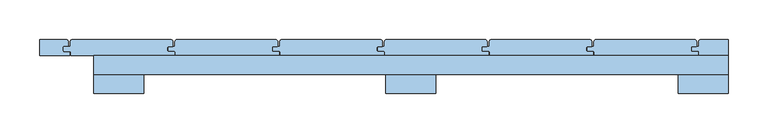
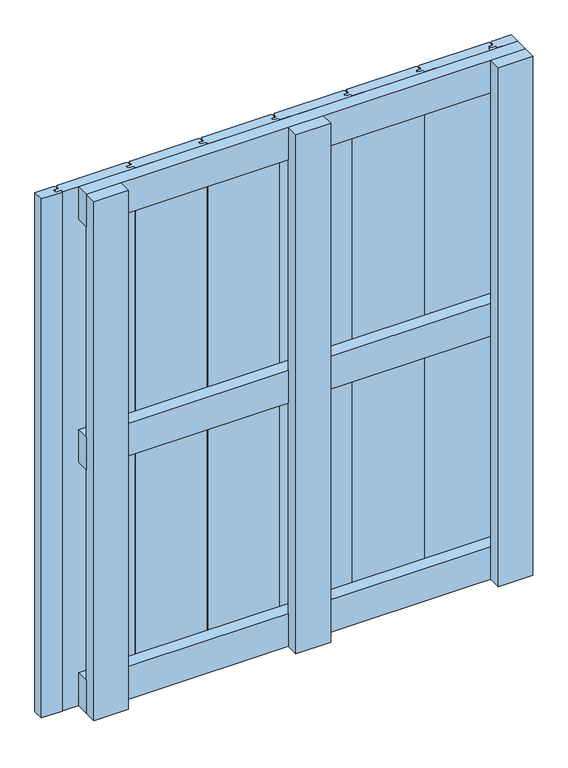
"""IFC4 building model written with IfcOpenShell, lengths in millimetres: window geometry."""

import ifcopenshell
import ifcopenshell.guid

model = None  # the IFC model being written
_history = None  # IfcOwnerHistory: only IFC2X3 demands one
_inside = {}  # id of a spatial element -> (the spatial element, [elements in it])
_under = {}  # id of a project, library or spatial element -> (it, [spatial elements below it])
_declared = {}  # id of a project -> (the project, [libraries it declares])
_typed = {}  # id of a type object -> (the type object, [elements of that type])
_made_of = {}  # id of a material, layer set ... -> (it, [elements and type objects made of it])


def new_model(schema):
    """Start an empty IFC model of exactly this schema.

    Asked for "IFC4X3", IfcOpenShell would pick the latest addendum, in which some entities
    have other attributes; the version numbers below select the first issue.
    IFC2X3 requires an IfcOwnerHistory on every rooted entity: one is made here for all.
    """
    global model, _history
    if schema == "IFC4X3":
        model = ifcopenshell.file(schema_version=(4, 3, 0, 0))
    else:
        model = ifcopenshell.file(schema=schema)
    _inside.clear()
    _under.clear()
    _declared.clear()
    _typed.clear()
    _made_of.clear()
    _history = None
    if model.schema == "IFC2X3":
        org = make("IfcOrganization", Name="unknown")
        user = make(
            "IfcPersonAndOrganization",
            ThePerson=make("IfcPerson", FamilyName="unknown"),
            TheOrganization=org,
        )
        app = make(
            "IfcApplication",
            ApplicationDeveloper=org,
            Version="unknown",
            ApplicationFullName="unknown",
            ApplicationIdentifier="unknown",
        )
        _history = make(
            "IfcOwnerHistory",
            OwningUser=user,
            OwningApplication=app,
            ChangeAction="ADDED",
            CreationDate=0,
        )
    return model


def make(cls, **values):
    """One entity of the class cls with the attributes given. An attribute that is None is left unset."""
    return model.create_entity(
        cls, **{name: value for name, value in values.items() if value is not None}
    )


def rooted(cls, **values):
    """An entity with a GlobalId (a new one), such as an element, a storey or a relation."""
    return make(cls, GlobalId=ifcopenshell.guid.new(), OwnerHistory=_history, **values)


def si_unit(unit_type, name, prefix=None):
    """IfcSIUnit, for example si_unit("LENGTHUNIT", "METRE", prefix="MILLI")."""
    return make("IfcSIUnit", UnitType=unit_type, Prefix=prefix, Name=name)


def assignment(units):
    """IfcUnitAssignment: the units of a project."""
    return None if units is None else make("IfcUnitAssignment", Units=units)


def point(xyz):
    """IfcCartesianPoint."""
    return None if xyz is None else make("IfcCartesianPoint", Coordinates=xyz)


def direction(xyz):
    """IfcDirection."""
    return None if xyz is None else make("IfcDirection", DirectionRatios=xyz)


def frame(location, z_axis=None, x_axis=None):
    """IfcAxis2Placement3D, a coordinate frame: its origin and axes. An axis left out is left unset."""
    return make(
        "IfcAxis2Placement3D",
        Location=point(location),
        Axis=direction(z_axis),
        RefDirection=direction(x_axis),
    )


def frame_2d(location, x_axis=None):
    """IfcAxis2Placement2D, a coordinate frame in the plane: its origin and x axis."""
    return make(
        "IfcAxis2Placement2D", Location=point(location), RefDirection=direction(x_axis)
    )


def origin():
    """The frame at (0, 0, 0) with its axes left unset."""
    return frame((0.0, 0.0, 0.0))


def place(relative_to, where):
    """IfcLocalPlacement: puts the frame where relative to a parent placement (None: the world)."""
    return make(
        "IfcLocalPlacement", PlacementRelTo=relative_to, RelativePlacement=where
    )


def context(
    kind, dimensions, precision=None, world=None, true_north=None, identifier=None
):
    """IfcGeometricRepresentationContext, for example the 3D "Model" context."""
    return make(
        "IfcGeometricRepresentationContext",
        ContextIdentifier=identifier,
        ContextType=kind,
        CoordinateSpaceDimension=dimensions,
        Precision=precision,
        WorldCoordinateSystem=world,
        TrueNorth=true_north,
    )


def project(units=None, contexts=None):
    """IfcProject with its units and contexts."""
    return rooted(
        "IfcProject",
        Name="project",
        RepresentationContexts=contexts,
        UnitsInContext=assignment(units),
    )


def spatial(cls, under=None, at=None, **own):
    """A site, building, storey or space (cls), placed at a placement, below another one or the project."""
    s = rooted(cls, ObjectPlacement=at, **own)
    if under is not None:
        _under.setdefault(under.id(), (under, []))[1].append(s)
    return s


def polyline(points):
    """IfcPolyline through the points."""
    return make("IfcPolyline", Points=[point(p) for p in points])


def circle_curve(where, radius):
    """IfcCircle in the frame where."""
    return make("IfcCircle", Position=where, Radius=radius)


def trimmed(basis, trim1, trim2, sense, master):
    """IfcTrimmedCurve: the piece of a basis curve between two trims."""
    return make(
        "IfcTrimmedCurve",
        BasisCurve=basis,
        Trim1=trim1,
        Trim2=trim2,
        SenseAgreement=sense,
        MasterRepresentation=master,
    )


def segment(curve, same_sense, transition):
    """IfcCompositeCurveSegment."""
    return make(
        "IfcCompositeCurveSegment",
        Transition=transition,
        SameSense=same_sense,
        ParentCurve=curve,
    )


def composite_curve(segments, self_intersect=None):
    """IfcCompositeCurve: segments joined end to end."""
    return make("IfcCompositeCurve", Segments=segments, SelfIntersect=self_intersect)


def outline(outer, holes=None, kind="AREA"):
    """IfcArbitraryClosedProfileDef: a profile drawn as a closed curve; with holes, ...WithVoids."""
    if holes is None:
        return make("IfcArbitraryClosedProfileDef", ProfileType=kind, OuterCurve=outer)
    return make(
        "IfcArbitraryProfileDefWithVoids",
        ProfileType=kind,
        OuterCurve=outer,
        InnerCurves=holes,
    )


def extrude(swept, where, along, depth):
    """IfcExtrudedAreaSolid: the profile swept, set in the frame where, extruded along a direction by depth."""
    return make(
        "IfcExtrudedAreaSolid",
        SweptArea=swept,
        Position=where,
        ExtrudedDirection=direction(along),
        Depth=depth,
    )


def shape(context_of_items, identifier, shape_type, items):
    """IfcShapeRepresentation: the items that make up one representation, for example the "Body"."""
    return make(
        "IfcShapeRepresentation",
        ContextOfItems=context_of_items,
        RepresentationIdentifier=identifier,
        RepresentationType=shape_type,
        Items=items,
    )


def source(mapping_origin, context_of_items, identifier, shape_type, items):
    """IfcRepresentationMap: a shape defined once, which mapped items show again and again."""
    return make(
        "IfcRepresentationMap",
        MappingOrigin=mapping_origin,
        MappedRepresentation=shape(context_of_items, identifier, shape_type, items),
    )


def transform(
    local_origin,
    x_axis=None,
    y_axis=None,
    z_axis=None,
    scale=None,
    scale2=None,
    scale3=None,
    uniform=True,
):
    """IfcCartesianTransformationOperator3D, or its non-uniform kind. x_axis, y_axis, z_axis: its Axis1, 2, 3."""
    if uniform:
        return make(
            "IfcCartesianTransformationOperator3D",
            Axis1=direction(x_axis),
            Axis2=direction(y_axis),
            LocalOrigin=point(local_origin),
            Scale=scale,
            Axis3=direction(z_axis),
        )
    return make(
        "IfcCartesianTransformationOperator3DnonUniform",
        Axis1=direction(x_axis),
        Axis2=direction(y_axis),
        LocalOrigin=point(local_origin),
        Scale=scale,
        Axis3=direction(z_axis),
        Scale2=scale2,
        Scale3=scale3,
    )


def mapped(mapping_source, mapping_target):
    """IfcMappedItem: shows the shape of a source again, moved by a transform."""
    return make(
        "IfcMappedItem", MappingSource=mapping_source, MappingTarget=mapping_target
    )


def made_of(thing, what):
    """Note that an element or type object is made of a material, layer set ...; save() writes the relation."""
    if what is not None:
        _made_of.setdefault(what.id(), (what, []))[1].append(thing)
    return thing


def element(
    cls,
    number,
    at=None,
    inside=None,
    cuts=None,
    type_object=None,
    material=None,
    context=None,
    identifier="Body",
    shape_type=None,
    held_by="IfcProductDefinitionShape",
    body=None,
    shapes=None,
    **own,
):
    """One element of the class cls, such as IfcWall. Its Tag is "e" and its number.

    at: its placement. inside: the storey or other place that contains it. cuts: it is an
    opening in that element (IfcRelVoidsElement). A single representation is given by context,
    identifier, shape_type and body (its items); several are given by shapes. held_by: the class
    of the entity that holds the representations. save() writes the other relations.
    """
    e = rooted(cls, Tag="e%d" % number, ObjectPlacement=at, **own)
    if body is not None:
        shapes = [shape(context, identifier, shape_type, body)]
    if shapes is not None:
        e.Representation = make(held_by, Representations=shapes)
    if inside is not None:
        _inside.setdefault(inside.id(), (inside, []))[1].append(e)
    if cuts is not None:
        rooted(
            "IfcRelVoidsElement", RelatingBuildingElement=cuts, RelatedOpeningElement=e
        )
    if type_object is not None:
        _typed.setdefault(type_object.id(), (type_object, []))[1].append(e)
    return made_of(e, material)


def aggregate(whole, parts):
    """IfcRelAggregates: a whole, such as a stair, and the parts it consists of."""
    return rooted("IfcRelAggregates", RelatingObject=whole, RelatedObjects=parts)


def save(model, path):
    """Write the relations noted so far, then the file.

    IfcRelAggregates (storeys below a building ...), IfcRelContainedInSpatialStructure (elements
    in a storey), IfcRelDefinesByType, IfcRelAssociatesMaterial and IfcRelDeclares: one each for
    every whole, place, type object, material and project.
    """
    for whole, parts in _under.values():
        aggregate(whole, parts)
    for where, things in _inside.values():
        rooted(
            "IfcRelContainedInSpatialStructure",
            RelatedElements=things,
            RelatingStructure=where,
        )
    for kind, things in _typed.values():
        rooted("IfcRelDefinesByType", RelatedObjects=things, RelatingType=kind)
    for what, things in _made_of.values():
        rooted("IfcRelAssociatesMaterial", RelatedObjects=things, RelatingMaterial=what)
    for by, libraries in _declared.values():
        rooted("IfcRelDeclares", RelatingContext=by, RelatedDefinitions=libraries)
    model.write(path)


def window_a948149d(model_context):
    return source(origin(), model_context, "Body", "SweptSolid", [
        extrude(outline(polyline([(400.0, 60.1), (400.0, 36.1), (-400.0, 36.1), (-400.0, 60.1), (400.0, 60.1)])), frame((0.0, 0.0, 568.5), z_axis=(0.0, 0.0, 1.0), x_axis=(1.0, 0.0, 0.0)), (0.0, 0.0, 1.0), 63.0),
        extrude(outline(polyline([(400.0, 60.0), (400.0, 36.0), (-400.0, 36.0), (-400.0, 60.0), (400.0, 60.0)])), frame((0.0, 0.0, 1037.0), z_axis=(0.0, 0.0, 1.0), x_axis=(1.0, 0.0, 0.0)), (0.0, 0.0, 1.0), 63.0),
        extrude(outline(polyline([(400.0, 60.0), (400.0, 36.0), (-400.0, 36.0), (-400.0, 60.0), (400.0, 60.0)])), frame((0.0, 0.0, 100.0), z_axis=(0.0, 0.0, 1.0), x_axis=(1.0, 0.0, 0.0)), (0.0, 0.0, 1.0), 63.0),
        extrude(outline(composite_curve([segment(polyline([(-301.0, 71.0), (-306.0, 71.0)]), True, "CONTINUOUS"), segment(trimmed(circle_curve(frame_2d((-306.0, 70.0)), 1.0), [point((-306.0, 71.0))], [point((-307.0, 70.0))], True, "CARTESIAN"), True, "CONTINUOUS"), segment(polyline([(-307.0, 70.0), (-307.0, 66.0)]), True, "CONTINUOUS"), segment(trimmed(circle_curve(frame_2d((-306.0, 66.0)), 1.0), [point((-307.0, 66.0))], [point((-306.0, 65.0))], True, "CARTESIAN"), True, "CONTINUOUS"), segment(polyline([(-306.0, 65.0), (-299.0, 65.0)]), True, "CONTINUOUS"), segment(trimmed(circle_curve(frame_2d((-299.0, 64.0)), 1.0), [point((-299.0, 65.0))], [point((-298.0, 64.0))], False, "CARTESIAN"), True, "CONTINUOUS"), segment(polyline([(-298.0, 64.0), (-298.0, 60.0), (-429.0, 60.0), (-429.0, 65.0), (-437.0, 65.0)]), True, "CONTINUOUS"), segment(trimmed(circle_curve(frame_2d((-437.0, 66.0)), 1.0), [point((-437.0, 65.0))], [point((-438.0, 66.0))], False, "CARTESIAN"), True, "CONTINUOUS"), segment(polyline([(-438.0, 66.0), (-438.0, 70.0)]), True, "CONTINUOUS"), segment(trimmed(circle_curve(frame_2d((-437.0, 70.0)), 1.0), [point((-438.0, 70.0))], [point((-437.0, 71.0))], False, "CARTESIAN"), True, "CONTINUOUS"), segment(polyline([(-437.0, 71.0), (-429.5177112, 71.0), (-429.5177112, 77.0156631)]), True, "CONTINUOUS"), segment(trimmed(circle_curve(frame_2d((-426.5333743, 77.0156631)), 2.9843369), [point((-429.5177112, 77.0156631))], [point((-426.5333743, 80.0))], False, "CARTESIAN"), True, "CONTINUOUS"), segment(polyline([(-426.5333743, 80.0), (-303.0347984, 80.0)]), True, "CONTINUOUS"), segment(trimmed(circle_curve(frame_2d((-303.0347984, 76.9652016)), 3.0347984), [point((-303.0347984, 80.0))], [point((-300.0, 76.9652016))], False, "CARTESIAN"), True, "CONTINUOUS"), segment(polyline([(-300.0, 76.9652016), (-300.0, 72.0)]), True, "CONTINUOUS"), segment(trimmed(circle_curve(frame_2d((-301.0, 72.0)), 1.0), [point((-300.0, 72.0))], [point((-301.0, 71.0))], False, "CARTESIAN"), True, "CONTINUOUS")], self_intersect=False)), frame((0.0, 0.0, 100.0), z_axis=(0.0, 0.0, 1.0), x_axis=(1.0, 0.0, 0.0)), (0.0, 0.0, 1.0), 1000.0),
        extrude(outline(composite_curve([segment(polyline([(-169.0, 71.0), (-174.0, 71.0)]), True, "CONTINUOUS"), segment(trimmed(circle_curve(frame_2d((-174.0, 70.0)), 1.0), [point((-174.0, 71.0))], [point((-175.0, 70.0))], True, "CARTESIAN"), True, "CONTINUOUS"), segment(polyline([(-175.0, 70.0), (-175.0, 66.0)]), True, "CONTINUOUS"), segment(trimmed(circle_curve(frame_2d((-174.0, 66.0)), 1.0), [point((-175.0, 66.0))], [point((-174.0, 65.0))], True, "CARTESIAN"), True, "CONTINUOUS"), segment(polyline([(-174.0, 65.0), (-167.0, 65.0)]), True, "CONTINUOUS"), segment(trimmed(circle_curve(frame_2d((-167.0, 64.0)), 1.0), [point((-167.0, 65.0))], [point((-166.0, 64.0))], False, "CARTESIAN"), True, "CONTINUOUS"), segment(polyline([(-166.0, 64.0), (-166.0, 60.0), (-297.0, 60.0), (-297.0, 65.0), (-305.0, 65.0)]), True, "CONTINUOUS"), segment(trimmed(circle_curve(frame_2d((-305.0, 66.0)), 1.0), [point((-305.0, 65.0))], [point((-306.0, 66.0))], False, "CARTESIAN"), True, "CONTINUOUS"), segment(polyline([(-306.0, 66.0), (-306.0, 70.0)]), True, "CONTINUOUS"), segment(trimmed(circle_curve(frame_2d((-305.0, 70.0)), 1.0), [point((-306.0, 70.0))], [point((-305.0, 71.0))], False, "CARTESIAN"), True, "CONTINUOUS"), segment(polyline([(-305.0, 71.0), (-297.5177112, 71.0), (-297.5177112, 77.0156631)]), True, "CONTINUOUS"), segment(trimmed(circle_curve(frame_2d((-294.5333743, 77.0156631)), 2.9843369), [point((-297.5177112, 77.0156631))], [point((-294.5333743, 80.0))], False, "CARTESIAN"), True, "CONTINUOUS"), segment(polyline([(-294.5333743, 80.0), (-171.0347984, 80.0)]), True, "CONTINUOUS"), segment(trimmed(circle_curve(frame_2d((-171.0347984, 76.9652016)), 3.0347984), [point((-171.0347984, 80.0))], [point((-168.0, 76.9652016))], False, "CARTESIAN"), True, "CONTINUOUS"), segment(polyline([(-168.0, 76.9652016), (-168.0, 72.0)]), True, "CONTINUOUS"), segment(trimmed(circle_curve(frame_2d((-169.0, 72.0)), 1.0), [point((-168.0, 72.0))], [point((-169.0, 71.0))], False, "CARTESIAN"), True, "CONTINUOUS")], self_intersect=False)), frame((0.0, 0.0, 100.0), z_axis=(0.0, 0.0, 1.0), x_axis=(1.0, 0.0, 0.0)), (0.0, 0.0, 1.0), 1000.0),
        extrude(outline(composite_curve([segment(polyline([(-37.0, 71.0), (-42.0, 71.0)]), True, "CONTINUOUS"), segment(trimmed(circle_curve(frame_2d((-42.0, 70.0)), 1.0), [point((-42.0, 71.0))], [point((-43.0, 70.0))], True, "CARTESIAN"), True, "CONTINUOUS"), segment(polyline([(-43.0, 70.0), (-43.0, 66.0)]), True, "CONTINUOUS"), segment(trimmed(circle_curve(frame_2d((-42.0, 66.0)), 1.0), [point((-43.0, 66.0))], [point((-42.0, 65.0))], True, "CARTESIAN"), True, "CONTINUOUS"), segment(polyline([(-42.0, 65.0), (-35.0, 65.0)]), True, "CONTINUOUS"), segment(trimmed(circle_curve(frame_2d((-35.0, 64.0)), 1.0), [point((-35.0, 65.0))], [point((-34.0, 64.0))], False, "CARTESIAN"), True, "CONTINUOUS"), segment(polyline([(-34.0, 64.0), (-34.0, 60.0), (-165.0, 60.0), (-165.0, 65.0), (-173.0, 65.0)]), True, "CONTINUOUS"), segment(trimmed(circle_curve(frame_2d((-173.0, 66.0)), 1.0), [point((-173.0, 65.0))], [point((-174.0, 66.0))], False, "CARTESIAN"), True, "CONTINUOUS"), segment(polyline([(-174.0, 66.0), (-174.0, 70.0)]), True, "CONTINUOUS"), segment(trimmed(circle_curve(frame_2d((-173.0, 70.0)), 1.0), [point((-174.0, 70.0))], [point((-173.0, 71.0))], False, "CARTESIAN"), True, "CONTINUOUS"), segment(polyline([(-173.0, 71.0), (-165.5177112, 71.0), (-165.5177112, 77.0156631)]), True, "CONTINUOUS"), segment(trimmed(circle_curve(frame_2d((-162.5333743, 77.0156631)), 2.9843369), [point((-165.5177112, 77.0156631))], [point((-162.5333743, 80.0))], False, "CARTESIAN"), True, "CONTINUOUS"), segment(polyline([(-162.5333743, 80.0), (-39.0347984, 80.0)]), True, "CONTINUOUS"), segment(trimmed(circle_curve(frame_2d((-39.0347984, 76.9652016)), 3.0347984), [point((-39.0347984, 80.0))], [point((-36.0, 76.9652016))], False, "CARTESIAN"), True, "CONTINUOUS"), segment(polyline([(-36.0, 76.9652016), (-36.0, 72.0)]), True, "CONTINUOUS"), segment(trimmed(circle_curve(frame_2d((-37.0, 72.0)), 1.0), [point((-36.0, 72.0))], [point((-37.0, 71.0))], False, "CARTESIAN"), True, "CONTINUOUS")], self_intersect=False)), frame((0.0, 0.0, 100.0), z_axis=(0.0, 0.0, 1.0), x_axis=(1.0, 0.0, 0.0)), (0.0, 0.0, 1.0), 1000.0),
        extrude(outline(composite_curve([segment(polyline([(95.0, 71.0), (90.0, 71.0)]), True, "CONTINUOUS"), segment(trimmed(circle_curve(frame_2d((90.0, 70.0)), 1.0), [point((90.0, 71.0))], [point((89.0, 70.0))], True, "CARTESIAN"), True, "CONTINUOUS"), segment(polyline([(89.0, 70.0), (89.0, 66.0)]), True, "CONTINUOUS"), segment(trimmed(circle_curve(frame_2d((90.0, 66.0)), 1.0), [point((89.0, 66.0))], [point((90.0, 65.0))], True, "CARTESIAN"), True, "CONTINUOUS"), segment(polyline([(90.0, 65.0), (97.0, 65.0)]), True, "CONTINUOUS"), segment(trimmed(circle_curve(frame_2d((97.0, 64.0)), 1.0), [point((97.0, 65.0))], [point((98.0, 64.0))], False, "CARTESIAN"), True, "CONTINUOUS"), segment(polyline([(98.0, 64.0), (98.0, 60.0), (-33.0, 60.0), (-33.0, 65.0), (-41.0, 65.0)]), True, "CONTINUOUS"), segment(trimmed(circle_curve(frame_2d((-41.0, 66.0)), 1.0), [point((-41.0, 65.0))], [point((-42.0, 66.0))], False, "CARTESIAN"), True, "CONTINUOUS"), segment(polyline([(-42.0, 66.0), (-42.0, 70.0)]), True, "CONTINUOUS"), segment(trimmed(circle_curve(frame_2d((-41.0, 70.0)), 1.0), [point((-42.0, 70.0))], [point((-41.0, 71.0))], False, "CARTESIAN"), True, "CONTINUOUS"), segment(polyline([(-41.0, 71.0), (-33.5177112, 71.0), (-33.5177112, 77.0156631)]), True, "CONTINUOUS"), segment(trimmed(circle_curve(frame_2d((-30.5333743, 77.0156631)), 2.9843369), [point((-33.5177112, 77.0156631))], [point((-30.5333743, 80.0))], False, "CARTESIAN"), True, "CONTINUOUS"), segment(polyline([(-30.5333743, 80.0), (92.9652016, 80.0)]), True, "CONTINUOUS"), segment(trimmed(circle_curve(frame_2d((92.9652016, 76.9652016)), 3.0347984), [point((92.9652016, 80.0))], [point((96.0, 76.9652016))], False, "CARTESIAN"), True, "CONTINUOUS"), segment(polyline([(96.0, 76.9652016), (96.0, 72.0)]), True, "CONTINUOUS"), segment(trimmed(circle_curve(frame_2d((95.0, 72.0)), 1.0), [point((96.0, 72.0))], [point((95.0, 71.0))], False, "CARTESIAN"), True, "CONTINUOUS")], self_intersect=False)), frame((0.0, 0.0, 100.0), z_axis=(0.0, 0.0, 1.0), x_axis=(1.0, 0.0, 0.0)), (0.0, 0.0, 1.0), 1000.0),
        extrude(outline(composite_curve([segment(polyline([(227.0, 71.0), (222.0, 71.0)]), True, "CONTINUOUS"), segment(trimmed(circle_curve(frame_2d((222.0, 70.0)), 1.0), [point((222.0, 71.0))], [point((221.0, 70.0))], True, "CARTESIAN"), True, "CONTINUOUS"), segment(polyline([(221.0, 70.0), (221.0, 66.0)]), True, "CONTINUOUS"), segment(trimmed(circle_curve(frame_2d((222.0, 66.0)), 1.0), [point((221.0, 66.0))], [point((222.0, 65.0))], True, "CARTESIAN"), True, "CONTINUOUS"), segment(polyline([(222.0, 65.0), (229.0, 65.0)]), True, "CONTINUOUS"), segment(trimmed(circle_curve(frame_2d((229.0, 64.0)), 1.0), [point((229.0, 65.0))], [point((230.0, 64.0))], False, "CARTESIAN"), True, "CONTINUOUS"), segment(polyline([(230.0, 64.0), (230.0, 60.0), (99.0, 60.0), (99.0, 65.0), (91.0, 65.0)]), True, "CONTINUOUS"), segment(trimmed(circle_curve(frame_2d((91.0, 66.0)), 1.0), [point((91.0, 65.0))], [point((90.0, 66.0))], False, "CARTESIAN"), True, "CONTINUOUS"), segment(polyline([(90.0, 66.0), (90.0, 70.0)]), True, "CONTINUOUS"), segment(trimmed(circle_curve(frame_2d((91.0, 70.0)), 1.0), [point((90.0, 70.0))], [point((91.0, 71.0))], False, "CARTESIAN"), True, "CONTINUOUS"), segment(polyline([(91.0, 71.0), (98.4822888, 71.0), (98.4822888, 77.0156631)]), True, "CONTINUOUS"), segment(trimmed(circle_curve(frame_2d((101.4666257, 77.0156631)), 2.9843369), [point((98.4822888, 77.0156631))], [point((101.4666257, 80.0))], False, "CARTESIAN"), True, "CONTINUOUS"), segment(polyline([(101.4666257, 80.0), (224.9652016, 80.0)]), True, "CONTINUOUS"), segment(trimmed(circle_curve(frame_2d((224.9652016, 76.9652016)), 3.0347984), [point((224.9652016, 80.0))], [point((228.0, 76.9652016))], False, "CARTESIAN"), True, "CONTINUOUS"), segment(polyline([(228.0, 76.9652016), (228.0, 72.0)]), True, "CONTINUOUS"), segment(trimmed(circle_curve(frame_2d((227.0, 72.0)), 1.0), [point((228.0, 72.0))], [point((227.0, 71.0))], False, "CARTESIAN"), True, "CONTINUOUS")], self_intersect=False)), frame((0.0, 0.0, 100.0), z_axis=(0.0, 0.0, 1.0), x_axis=(1.0, 0.0, 0.0)), (0.0, 0.0, 1.0), 1000.0),
        extrude(outline(composite_curve([segment(polyline([(359.0, 71.0), (354.0, 71.0)]), True, "CONTINUOUS"), segment(trimmed(circle_curve(frame_2d((354.0, 70.0)), 1.0), [point((354.0, 71.0))], [point((353.0, 70.0))], True, "CARTESIAN"), True, "CONTINUOUS"), segment(polyline([(353.0, 70.0), (353.0, 66.0)]), True, "CONTINUOUS"), segment(trimmed(circle_curve(frame_2d((354.0, 66.0)), 1.0), [point((353.0, 66.0))], [point((354.0, 65.0))], True, "CARTESIAN"), True, "CONTINUOUS"), segment(polyline([(354.0, 65.0), (361.0, 65.0)]), True, "CONTINUOUS"), segment(trimmed(circle_curve(frame_2d((361.0, 64.0)), 1.0), [point((361.0, 65.0))], [point((362.0, 64.0))], False, "CARTESIAN"), True, "CONTINUOUS"), segment(polyline([(362.0, 64.0), (362.0, 60.0), (231.0, 60.0), (231.0, 65.0), (223.0, 65.0)]), True, "CONTINUOUS"), segment(trimmed(circle_curve(frame_2d((223.0, 66.0)), 1.0), [point((223.0, 65.0))], [point((222.0, 66.0))], False, "CARTESIAN"), True, "CONTINUOUS"), segment(polyline([(222.0, 66.0), (222.0, 70.0)]), True, "CONTINUOUS"), segment(trimmed(circle_curve(frame_2d((223.0, 70.0)), 1.0), [point((222.0, 70.0))], [point((223.0, 71.0))], False, "CARTESIAN"), True, "CONTINUOUS"), segment(polyline([(223.0, 71.0), (230.4822888, 71.0), (230.4822888, 77.0156631)]), True, "CONTINUOUS"), segment(trimmed(circle_curve(frame_2d((233.4666257, 77.0156631)), 2.9843369), [point((230.4822888, 77.0156631))], [point((233.4666257, 80.0))], False, "CARTESIAN"), True, "CONTINUOUS"), segment(polyline([(233.4666257, 80.0), (356.9652016, 80.0)]), True, "CONTINUOUS"), segment(trimmed(circle_curve(frame_2d((356.9652016, 76.9652016)), 3.0347984), [point((356.9652016, 80.0))], [point((360.0, 76.9652016))], False, "CARTESIAN"), True, "CONTINUOUS"), segment(polyline([(360.0, 76.9652016), (360.0, 72.0)]), True, "CONTINUOUS"), segment(trimmed(circle_curve(frame_2d((359.0, 72.0)), 1.0), [point((360.0, 72.0))], [point((359.0, 71.0))], False, "CARTESIAN"), True, "CONTINUOUS")], self_intersect=False)), frame((0.0, 0.0, 100.0), z_axis=(0.0, 0.0, 1.0), x_axis=(1.0, 0.0, 0.0)), (0.0, 0.0, 1.0), 1000.0),
        extrude(outline(composite_curve([segment(polyline([(-433.0, 71.0), (-438.0, 71.0)]), True, "CONTINUOUS"), segment(trimmed(circle_curve(frame_2d((-438.0, 70.0)), 1.0), [point((-438.0, 71.0))], [point((-439.0, 70.0))], True, "CARTESIAN"), True, "CONTINUOUS"), segment(polyline([(-439.0, 70.0), (-439.0, 66.0)]), True, "CONTINUOUS"), segment(trimmed(circle_curve(frame_2d((-438.0, 66.0)), 1.0), [point((-439.0, 66.0))], [point((-438.0, 65.0))], True, "CARTESIAN"), True, "CONTINUOUS"), segment(polyline([(-438.0, 65.0), (-431.0, 65.0)]), True, "CONTINUOUS"), segment(trimmed(circle_curve(frame_2d((-431.0, 64.0)), 1.0), [point((-431.0, 65.0))], [point((-430.0, 64.0))], False, "CARTESIAN"), True, "CONTINUOUS"), segment(polyline([(-430.0, 64.0), (-430.0, 60.0), (-468.0, 60.0), (-468.0, 80.0), (-435.0347984, 80.0)]), True, "CONTINUOUS"), segment(trimmed(circle_curve(frame_2d((-435.0347984, 76.9652016)), 3.0347984), [point((-435.0347984, 80.0))], [point((-432.0, 76.9652016))], False, "CARTESIAN"), True, "CONTINUOUS"), segment(polyline([(-432.0, 76.9652016), (-432.0, 72.0)]), True, "CONTINUOUS"), segment(trimmed(circle_curve(frame_2d((-433.0, 72.0)), 1.0), [point((-432.0, 72.0))], [point((-433.0, 71.0))], False, "CARTESIAN"), True, "CONTINUOUS")], self_intersect=False)), frame((0.0, 0.0, 100.0), z_axis=(0.0, 0.0, 1.0), x_axis=(1.0, 0.0, 0.0)), (0.0, 0.0, 1.0), 1000.0),
        extrude(outline(composite_curve([segment(polyline([(354.0, 66.0), (354.0, 70.0)]), True, "CONTINUOUS"), segment(trimmed(circle_curve(frame_2d((355.0, 70.0)), 1.0), [point((354.0, 70.0))], [point((355.0, 71.0))], False, "CARTESIAN"), True, "CONTINUOUS"), segment(polyline([(355.0, 71.0), (362.4822888, 71.0), (362.4822888, 77.0344851)]), True, "CONTINUOUS"), segment(trimmed(circle_curve(frame_2d((365.4478037, 77.0344851)), 2.9655149), [point((362.4822888, 77.0344851))], [point((365.4478037, 80.0))], False, "CARTESIAN"), True, "CONTINUOUS"), segment(polyline([(365.4478037, 80.0), (400.0, 80.0), (400.0, 60.0), (363.0, 60.0), (363.0, 65.0), (355.0, 65.0)]), True, "CONTINUOUS"), segment(trimmed(circle_curve(frame_2d((355.0, 66.0)), 1.0), [point((355.0, 65.0))], [point((354.0, 66.0))], False, "CARTESIAN"), True, "CONTINUOUS")], self_intersect=False)), frame((0.0, 0.0, 100.0), z_axis=(0.0, 0.0, 1.0), x_axis=(1.0, 0.0, 0.0)), (0.0, 0.0, 1.0), 1000.0),
        extrude(outline(polyline([(-31.5, 36.1), (31.5, 36.1), (31.5, 12.1), (-31.5, 12.1), (-31.5, 36.1)])), frame((0.0, 0.0, 100.0), z_axis=(0.0, 0.0, 1.0), x_axis=(1.0, 0.0, 0.0)), (0.0, 0.0, 1.0), 1000.0),
        extrude(outline(polyline([(-400.0, 36.0), (-337.0, 36.0), (-337.0, 12.0), (-400.0, 12.0), (-400.0, 36.0)])), frame((0.0, 0.0, 100.0), z_axis=(0.0, 0.0, 1.0), x_axis=(1.0, 0.0, 0.0)), (0.0, 0.0, 1.0), 1000.0),
        extrude(outline(polyline([(337.0, 36.0), (400.0, 36.0), (400.0, 12.0), (337.0, 12.0), (337.0, 36.0)])), frame((0.0, 0.0, 100.0), z_axis=(0.0, 0.0, 1.0), x_axis=(1.0, 0.0, 0.0)), (0.0, 0.0, 1.0), 1000.0),
    ])


if __name__ == "__main__":
    model = new_model("IFC4")
    model_context = context("Model", 3, world=origin())
    ifc_project = project(units=[si_unit("LENGTHUNIT", "METRE", prefix="MILLI")], contexts=[model_context])
    site = spatial("IfcSite", under=ifc_project)
    building = spatial("IfcBuilding", under=site)
    placement = place(None, origin())
    window_shape = window_a948149d(model_context)
    element("IfcWindow", 1, at=placement, inside=building, context=model_context, shape_type="MappedRepresentation", body=[
        mapped(window_shape, transform((0.0, 0.0, 0.0), x_axis=(1.0, 0.0, 0.0), y_axis=(0.0, 1.0, 0.0), z_axis=(0.0, 0.0, 1.0))),
    ])
    save(model, "model.ifc")
